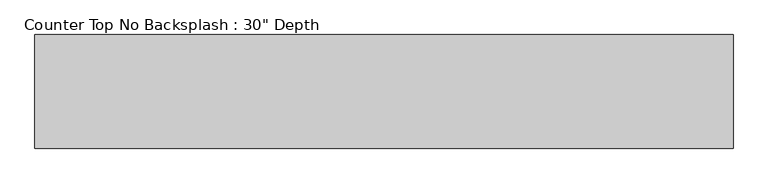
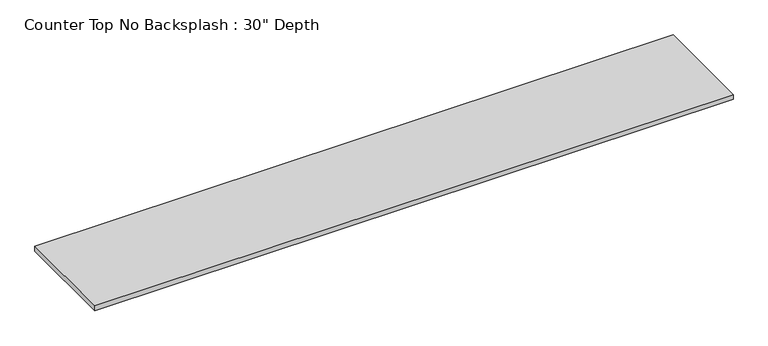
"""IFC4 building model written with IfcOpenShell, lengths in millimetres: furniture geometry."""

from ifc_helpers import new_model, si_unit, frame, origin, place, context, project, spatial, polyline, outline, extrude, source, transform, mapped, element, save


def furniture_5d4c5cff(model_context):
    return source(origin(), model_context, "Body", "SweptSolid", [
        extrude(outline(polyline([(3479.4877049, 0.0), (3479.4877049, -762.0), (-1200.4622951, -762.0), (-1200.4622951, 0.0), (3479.4877049, 0.0)])), frame((0.0, 0.0, 876.3), z_axis=(0.0, 0.0, 1.0), x_axis=(1.0, 0.0, 0.0)), (0.0, 0.0, 1.0), 38.1),
    ])


if __name__ == "__main__":
    model = new_model("IFC4")
    model_context = context("Model", 3, world=origin())
    ifc_project = project(units=[si_unit("LENGTHUNIT", "METRE", prefix="MILLI")], contexts=[model_context])
    site = spatial("IfcSite", under=ifc_project)
    building = spatial("IfcBuilding", under=site)
    placement = place(None, origin())
    furniture_shape = furniture_5d4c5cff(model_context)
    element("IfcFurniture", 1, ObjectType="Counter Top No Backsplash : 30\" Depth", at=placement, inside=building, context=model_context, shape_type="MappedRepresentation", body=[
        mapped(furniture_shape, transform((0.0, 0.0, 0.0), x_axis=(1.0, 0.0, 0.0), y_axis=(0.0, 1.0, 0.0), z_axis=(0.0, 0.0, 1.0))),
    ])
    save(model, "model.ifc")
